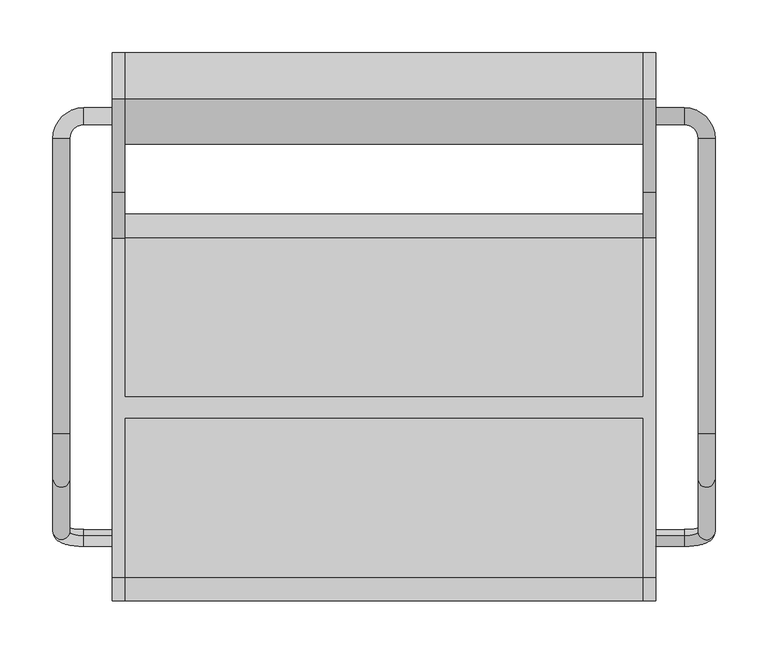
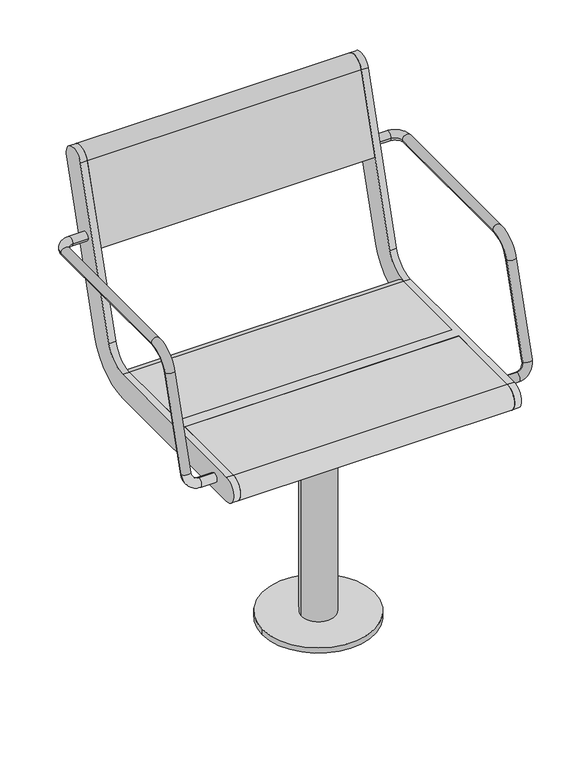
"""IFC4 building model written with IfcOpenShell, lengths in millimetres: furniture geometry."""

from ifc_helpers import new_model, si_unit, point, frame, frame_2d, origin, origin_with_axes, origin_2d, place, context, project, spatial, polyline, circle_curve, ellipse_curve, trimmed, segment, composite_curve, outline, extrude, source, transform, mapped, element, save
from ifc_brep_helpers import plane_surface, cylinder_surface, revolved_surface, advanced_brep


def furniture_ffa925bc(model_context):
    return source(origin(), model_context, "Body", "SolidModel", [
        advanced_brep(
        [(-257.0, -121.6610264, 435.150438), (-257.0, -126.3389736, 419.849562), (-284.0, -126.3389736, 419.849562), (-284.0, -121.6610264, 435.150438), (-313.0, -117.8601942, 447.5823999), (-297.0, -117.8601942, 447.5823999), (-313.0, 254.0, 641.5), (-313.0, -25.2753858, 641.5), (-297.0, -25.2753858, 641.5), (-297.0, 254.0, 641.5), (-297.0, -68.3090998, 609.6567267), (-313.0, -68.3090998, 609.6567267), (-257.0, 267.0, 641.5), (-257.0, 283.0, 641.5), (-284.0, 283.0, 641.5), (-284.0, 267.0, 641.5)],
        [
            (0, 1, circle_curve(frame((-257.0, -124.0, 427.5), z_axis=(1.0, 0.0, 0.0), x_axis=(0.0, -0.2923717047227402, -0.9563047559630344)), 8.0)),
            (1, 0, circle_curve(frame((-257.0, -124.0, 427.5), z_axis=(1.0, 0.0, 0.0), x_axis=(0.0, -0.2923717047227402, -0.9563047559630344)), 8.0)),
            (1, 2),
            (2, 3, circle_curve(frame((-284.0, -124.0, 427.5), z_axis=(1.0, 0.0, 0.0), x_axis=(0.0, -0.2923717047227402, -0.9563047559630344)), 8.0)),
            (3, 0),
            (3, 2, circle_curve(frame((-284.0, -124.0, 427.5), z_axis=(1.0, 0.0, 0.0), x_axis=(0.0, -0.2923717047227402, -0.9563047559630344)), 8.0)),
            (2, 4, circle_curve(frame((-284.0, -117.8601942, 447.5823999), z_axis=(0.0, 0.9563047559630344, -0.29237170472274027), x_axis=(0.0, -0.29237170472274027, -0.9563047559630344)), 29.0)),
            (4, 5, circle_curve(frame((-305.0, -117.8601942, 447.5823999), z_axis=(0.0, -0.29237170472274027, -0.9563047559630344), x_axis=(-1.0, 0.0, 0.0)), 8.0)),
            (5, 3, circle_curve(frame((-284.0, -117.8601942, 447.5823999), z_axis=(0.0, -0.9563047559630344, 0.29237170472274027), x_axis=(0.0, -0.29237170472274027, -0.9563047559630344)), 13.0)),
            (5, 4, circle_curve(frame((-305.0, -117.8601942, 447.5823999), z_axis=(0.0, -0.29237170472274027, -0.9563047559630344), x_axis=(-1.0, 0.0, 0.0)), 8.0)),
            (6, 7),
            (7, 8, circle_curve(frame((-305.0, -25.2753858, 641.5), z_axis=(0.0, 1.0, 0.0), x_axis=(-1.0, 0.0, 0.0)), 8.0)),
            (8, 9),
            (9, 6, circle_curve(frame((-305.0, 254.0, 641.5), z_axis=(0.0, -1.0, 0.0), x_axis=(-1.0, 0.0, 0.0)), 8.0)),
            (6, 9, circle_curve(frame((-305.0, 254.0, 641.5), z_axis=(0.0, -1.0, 0.0), x_axis=(-1.0, 0.0, 0.0)), 8.0)),
            (8, 7, circle_curve(frame((-305.0, -25.2753858, 641.5), z_axis=(0.0, 1.0, 0.0), x_axis=(-1.0, 0.0, 0.0)), 8.0)),
            (10, 11, circle_curve(frame((-305.0, -68.3090998, 609.6567267), z_axis=(0.0, -0.2923717047227378, -0.9563047559630351), x_axis=(-1.0, 0.0, 0.0)), 8.0)),
            (11, 4),
            (5, 10),
            (11, 10, circle_curve(frame((-305.0, -68.3090998, 609.6567267), z_axis=(0.0, -0.2923717047227378, -0.9563047559630351), x_axis=(-1.0, 0.0, 0.0)), 8.0)),
            (7, 11, circle_curve(frame((-313.0, -25.2753858, 596.5), z_axis=(1.0, 0.0, 0.0), x_axis=(0.0, 0.0, 1.0)), 45.0)),
            (10, 8, circle_curve(frame((-297.0, -25.2753858, 596.5), z_axis=(-1.0, 0.0, 0.0), x_axis=(0.0, 0.0, 1.0)), 45.0)),
            (12, 13, circle_curve(frame((-257.0, 275.0, 641.5), z_axis=(1.0, 0.0, 0.0), x_axis=(0.0, 1.0, 0.0)), 8.0)),
            (13, 12, circle_curve(frame((-257.0, 275.0, 641.5), z_axis=(1.0, 0.0, 0.0), x_axis=(0.0, 1.0, 0.0)), 8.0)),
            (13, 14),
            (14, 15, circle_curve(frame((-284.0, 275.0, 641.5), z_axis=(1.0, 0.0, 0.0), x_axis=(0.0, 1.0, 0.0)), 8.0)),
            (15, 12),
            (15, 14, circle_curve(frame((-284.0, 275.0, 641.5), z_axis=(1.0, 0.0, 0.0), x_axis=(0.0, 1.0, 0.0)), 8.0)),
            (14, 6, circle_curve(frame((-284.0, 254.0, 641.5), z_axis=(0.0, 0.0, 1.0), x_axis=(0.0, 1.0, 0.0)), 29.0)),
            (9, 15, circle_curve(frame((-284.0, 254.0, 641.5), z_axis=(0.0, 0.0, -1.0), x_axis=(0.0, 1.0, 0.0)), 13.0)),
        ],
        [
            plane_surface(frame((-257.0, -737.469501, 615.0564486), z_axis=(1.0, 0.0, 0.0), x_axis=(0.0, 0.9563047559630344, -0.29237170472274027))),
            cylinder_surface(frame((-257.0, -124.0, 427.5), z_axis=(1.0, 0.0, 0.0), x_axis=(0.0, -0.2923717047227402, -0.9563047559630344)), 8.0),
            revolved_surface(trimmed(ellipse_curve(frame((-284.0, -124.0, 427.5), z_axis=(1.0, 0.0, 0.0), x_axis=(0.0, -0.2923717047227402, -0.9563047559630344)), 8.0, 8.0), [point((-284.0, -126.3389736, 419.849562))], [point((-284.0, -121.6610264, 435.150438))], True, "CARTESIAN"), (-284.0, -731.3296952, 635.1388485), (0.0, 0.9563047559630344, -0.29237170472274027)),
            revolved_surface(trimmed(ellipse_curve(frame((-284.0, -124.0, 427.5), z_axis=(1.0, 0.0, 0.0), x_axis=(0.0, -0.2923717047227402, -0.9563047559630344)), 8.0, 8.0), [point((-284.0, -121.6610264, 435.150438))], [point((-284.0, -126.3389736, 419.849562))], True, "CARTESIAN"), (-284.0, -731.3296952, 635.1388485), (0.0, 0.9563047559630344, -0.29237170472274027)),
            cylinder_surface(frame((-305.0, 254.0, 641.5), z_axis=(0.0, 1.0, 0.0), x_axis=(-1.0, 0.0, 0.0)), 8.0),
            cylinder_surface(frame((-305.0, -68.3090998, 609.6567267), z_axis=(0.0, 0.2923717047227378, 0.9563047559630351), x_axis=(-1.0, 0.0, 0.0)), 8.0),
            revolved_surface(trimmed(ellipse_curve(frame((-305.0, -25.2753858, 641.5), z_axis=(0.0, 1.0, 0.0), x_axis=(-1.0, 0.0, 0.0)), 8.0, 8.0), [point((-313.0, -25.2753858, 641.5))], [point((-297.0, -25.2753858, 641.5))], True, "CARTESIAN"), (0.0, -25.2753858, 596.5), (1.0, 0.0, 0.0)),
            revolved_surface(trimmed(ellipse_curve(frame((-305.0, -25.2753858, 641.5), z_axis=(0.0, 1.0, 0.0), x_axis=(-1.0, 0.0, 0.0)), 8.0, 8.0), [point((-297.0, -25.2753858, 641.5))], [point((-313.0, -25.2753858, 641.5))], True, "CARTESIAN"), (0.0, -25.2753858, 596.5), (1.0, 0.0, 0.0)),
            plane_surface(frame((-257.0, 275.0, 405.0), z_axis=(1.0, 0.0, 0.0), x_axis=(0.0, 0.0, 1.0))),
            cylinder_surface(frame((-257.0, 275.0, 641.5), z_axis=(1.0, 0.0, 0.0), x_axis=(0.0, 1.0, 0.0)), 8.0),
            revolved_surface(trimmed(ellipse_curve(frame((-284.0, 275.0, 641.5), z_axis=(1.0, 0.0, 0.0), x_axis=(0.0, 1.0, 0.0)), 8.0, 8.0), [point((-284.0, 283.0, 641.5))], [point((-284.0, 267.0, 641.5))], True, "CARTESIAN"), (-284.0, 254.0, 405.0), (0.0, 0.0, 1.0)),
            revolved_surface(trimmed(ellipse_curve(frame((-284.0, 275.0, 641.5), z_axis=(1.0, 0.0, 0.0), x_axis=(0.0, 1.0, 0.0)), 8.0, 8.0), [point((-284.0, 267.0, 641.5))], [point((-284.0, 283.0, 641.5))], True, "CARTESIAN"), (-284.0, 254.0, 405.0), (0.0, 0.0, 1.0)),
        ],
        [
            (0, [[1, 2]]),
            (1, [[-2, 3, 4, 5]]),
            (1, [[-1, -5, 6, -3]]),
            (2, [[-4, 7, 8, 9]]),
            (3, [[-6, -9, 10, -7]]),
            (4, [[11, 12, 13, 14]]),
            (4, [[-11, 15, -13, 16]]),
            (5, [[17, 18, -10, 19]]),
            (5, [[-18, 20, -19, -8]]),
            (6, [[-12, 21, -17, 22]]),
            (7, [[-16, -22, -20, -21]]),
            (8, [[23, 24]]),
            (9, [[-24, 25, 26, 27]]),
            (9, [[-23, -27, 28, -25]]),
            (10, [[-26, 29, -14, 30]]),
            (11, [[-28, -30, -15, -29]]),
        ],
    ),
        advanced_brep(
        [(297.0, 254.0, 641.5), (297.0, -25.2753858, 641.5), (313.0, -25.2753858, 641.5), (313.0, 254.0, 641.5), (313.0, -68.3090998, 609.6567267), (297.0, -68.3090998, 609.6567267), (297.0, -117.8601942, 447.5823999), (313.0, -117.8601942, 447.5823999), (257.0, 267.0, 641.5), (257.0, 283.0, 641.5), (284.0, 267.0, 641.5), (284.0, 283.0, 641.5), (257.0, -121.6610264, 435.150438), (257.0, -126.3389736, 419.849562), (284.0, -121.6610264, 435.150438), (284.0, -126.3389736, 419.849562)],
        [
            (0, 1),
            (1, 2, circle_curve(frame((305.0, -25.2753858, 641.5), z_axis=(0.0, 1.0, 0.0), x_axis=(1.0, 0.0, 0.0)), 8.0)),
            (2, 3),
            (3, 0, circle_curve(frame((305.0, 254.0, 641.5), z_axis=(0.0, -1.0, 0.0), x_axis=(1.0, 0.0, 0.0)), 8.0)),
            (0, 3, circle_curve(frame((305.0, 254.0, 641.5), z_axis=(0.0, -1.0, 0.0), x_axis=(1.0, 0.0, 0.0)), 8.0)),
            (2, 1, circle_curve(frame((305.0, -25.2753858, 641.5), z_axis=(0.0, 1.0, 0.0), x_axis=(1.0, 0.0, 0.0)), 8.0)),
            (4, 5, circle_curve(frame((305.0, -68.3090998, 609.6567267), z_axis=(0.0, -0.2923717047227378, -0.9563047559630351), x_axis=(1.0, 0.0, 0.0)), 8.0)),
            (5, 6),
            (6, 7, circle_curve(frame((305.0, -117.8601942, 447.5823999), z_axis=(0.0, 0.2923717047227378, 0.9563047559630351), x_axis=(1.0, 0.0, 0.0)), 8.0)),
            (7, 4),
            (5, 4, circle_curve(frame((305.0, -68.3090998, 609.6567267), z_axis=(0.0, -0.2923717047227378, -0.9563047559630351), x_axis=(1.0, 0.0, 0.0)), 8.0)),
            (7, 6, circle_curve(frame((305.0, -117.8601942, 447.5823999), z_axis=(0.0, 0.2923717047227378, 0.9563047559630351), x_axis=(1.0, 0.0, 0.0)), 8.0)),
            (1, 5, circle_curve(frame((297.0, -25.2753858, 596.5), z_axis=(1.0, 0.0, 0.0), x_axis=(0.0, 0.0, 1.0)), 45.0)),
            (4, 2, circle_curve(frame((313.0, -25.2753858, 596.5), z_axis=(-1.0, 0.0, 0.0), x_axis=(0.0, 0.0, 1.0)), 45.0)),
            (8, 9, circle_curve(frame((257.0, 275.0, 641.5), z_axis=(-1.0, 0.0, 0.0), x_axis=(0.0, 1.0, 0.0)), 8.0)),
            (9, 8, circle_curve(frame((257.0, 275.0, 641.5), z_axis=(-1.0, 0.0, 0.0), x_axis=(0.0, 1.0, 0.0)), 8.0)),
            (8, 10),
            (10, 11, circle_curve(frame((284.0, 275.0, 641.5), z_axis=(-1.0, 0.0, 0.0), x_axis=(0.0, 1.0, 0.0)), 8.0)),
            (11, 9),
            (11, 10, circle_curve(frame((284.0, 275.0, 641.5), z_axis=(-1.0, 0.0, 0.0), x_axis=(0.0, 1.0, 0.0)), 8.0)),
            (10, 0, circle_curve(frame((284.0, 254.0, 641.5), z_axis=(0.0, 0.0, -1.0), x_axis=(0.0, 1.0, 0.0)), 13.0)),
            (3, 11, circle_curve(frame((284.0, 254.0, 641.5), z_axis=(0.0, 0.0, 1.0), x_axis=(0.0, 1.0, 0.0)), 29.0)),
            (12, 13, circle_curve(frame((257.0, -124.0, 427.5), z_axis=(-1.0, 0.0, 0.0), x_axis=(0.0, -0.2923717047227402, -0.9563047559630344)), 8.0)),
            (13, 12, circle_curve(frame((257.0, -124.0, 427.5), z_axis=(-1.0, 0.0, 0.0), x_axis=(0.0, -0.2923717047227402, -0.9563047559630344)), 8.0)),
            (12, 14),
            (14, 15, circle_curve(frame((284.0, -124.0, 427.5), z_axis=(-1.0, 0.0, 0.0), x_axis=(0.0, -0.2923717047227402, -0.9563047559630344)), 8.0)),
            (15, 13),
            (15, 14, circle_curve(frame((284.0, -124.0, 427.5), z_axis=(-1.0, 0.0, 0.0), x_axis=(0.0, -0.2923717047227402, -0.9563047559630344)), 8.0)),
            (14, 6, circle_curve(frame((284.0, -117.8601942, 447.5823999), z_axis=(0.0, -0.9563047559630344, 0.2923717047227402), x_axis=(0.0, -0.2923717047227402, -0.9563047559630344)), 13.0)),
            (7, 15, circle_curve(frame((284.0, -117.8601942, 447.5823999), z_axis=(0.0, 0.9563047559630344, -0.2923717047227402), x_axis=(0.0, -0.2923717047227402, -0.9563047559630344)), 29.0)),
        ],
        [
            cylinder_surface(frame((305.0, 254.0, 641.5), z_axis=(0.0, 1.0, 0.0), x_axis=(1.0, 0.0, 0.0)), 8.0),
            cylinder_surface(frame((305.0, -68.3090998, 609.6567267), z_axis=(0.0, 0.2923717047227378, 0.9563047559630351), x_axis=(1.0, 0.0, 0.0)), 8.0),
            revolved_surface(trimmed(ellipse_curve(frame((305.0, -25.2753858, 641.5), z_axis=(0.0, 1.0, 0.0), x_axis=(1.0, 0.0, 0.0)), 8.0, 8.0), [point((297.0, -25.2753858, 641.5))], [point((313.0, -25.2753858, 641.5))], True, "CARTESIAN"), (0.0, -25.2753858, 596.5), (1.0, 0.0, 0.0)),
            revolved_surface(trimmed(ellipse_curve(frame((305.0, -25.2753858, 641.5), z_axis=(0.0, 1.0, 0.0), x_axis=(1.0, 0.0, 0.0)), 8.0, 8.0), [point((313.0, -25.2753858, 641.5))], [point((297.0, -25.2753858, 641.5))], True, "CARTESIAN"), (0.0, -25.2753858, 596.5), (1.0, 0.0, 0.0)),
            plane_surface(frame((257.0, 275.0, 405.0), z_axis=(-1.0, 0.0, 0.0), x_axis=(0.0, 0.0, 1.0))),
            cylinder_surface(frame((257.0, 275.0, 641.5), z_axis=(-1.0, 0.0, 0.0), x_axis=(0.0, 1.0, 0.0)), 8.0),
            revolved_surface(trimmed(ellipse_curve(frame((284.0, 275.0, 641.5), z_axis=(-1.0, 0.0, 0.0), x_axis=(0.0, 1.0, 0.0)), 8.0, 8.0), [point((284.0, 267.0, 641.5))], [point((284.0, 283.0, 641.5))], True, "CARTESIAN"), (284.0, 254.0, 405.0), (0.0, 0.0, -1.0)),
            revolved_surface(trimmed(ellipse_curve(frame((284.0, 275.0, 641.5), z_axis=(-1.0, 0.0, 0.0), x_axis=(0.0, 1.0, 0.0)), 8.0, 8.0), [point((284.0, 283.0, 641.5))], [point((284.0, 267.0, 641.5))], True, "CARTESIAN"), (284.0, 254.0, 405.0), (0.0, 0.0, -1.0)),
            plane_surface(frame((257.0, -737.469501, 615.0564486), z_axis=(-1.0, 0.0, 0.0), x_axis=(0.0, 0.9563047559630344, -0.2923717047227402))),
            cylinder_surface(frame((257.0, -124.0, 427.5), z_axis=(-1.0, 0.0, 0.0), x_axis=(0.0, -0.2923717047227402, -0.9563047559630344)), 8.0),
            revolved_surface(trimmed(ellipse_curve(frame((284.0, -124.0, 427.5), z_axis=(-1.0, 0.0, 0.0), x_axis=(0.0, -0.2923717047227402, -0.9563047559630344)), 8.0, 8.0), [point((284.0, -121.6610264, 435.150438))], [point((284.0, -126.3389736, 419.849562))], True, "CARTESIAN"), (284.0, -731.3296952, 635.1388485), (0.0, -0.9563047559630344, 0.2923717047227402)),
            revolved_surface(trimmed(ellipse_curve(frame((284.0, -124.0, 427.5), z_axis=(-1.0, 0.0, 0.0), x_axis=(0.0, -0.2923717047227402, -0.9563047559630344)), 8.0, 8.0), [point((284.0, -126.3389736, 419.849562))], [point((284.0, -121.6610264, 435.150438))], True, "CARTESIAN"), (284.0, -731.3296952, 635.1388485), (0.0, -0.9563047559630344, 0.2923717047227402)),
        ],
        [
            (0, [[1, 2, 3, 4]]),
            (0, [[-1, 5, -3, 6]]),
            (1, [[7, 8, 9, 10]]),
            (1, [[-8, 11, -10, 12]]),
            (2, [[-2, 13, -7, 14]]),
            (3, [[-6, -14, -11, -13]]),
            (4, [[15, 16]]),
            (5, [[-15, 17, 18, 19]]),
            (5, [[-16, -19, 20, -17]]),
            (6, [[-18, 21, -4, 22]]),
            (7, [[-20, -22, -5, -21]]),
            (8, [[23, 24]]),
            (9, [[-23, 25, 26, 27]]),
            (9, [[-24, -27, 28, -25]]),
            (10, [[-26, 29, -12, 30]]),
            (11, [[-28, -30, -9, -29]]),
        ],
    ),
        advanced_brep(
        [(-245.0, 291.0375971, 769.6910048), (-245.0, 203.033714, 481.8432733), (-245.0, 160.0, 450.0), (-245.0, 9.5, 450.0), (-245.0, 9.5, 405.0), (-245.0, 160.0, 405.0), (-245.0, 246.067428, 468.6865466), (-245.0, 334.0713112, 756.5342781), (-245.0, -161.0, 450.0), (-245.0, -161.0, 405.0), (-245.0, -10.5, 405.0), (-245.0, -10.5, 450.0), (-257.0, 291.0375971, 769.6910048), (-257.0, 334.0713112, 756.5342781), (-257.0, 246.067428, 468.6865466), (-257.0, 160.0, 405.0), (-257.0, -161.0, 405.0), (-257.0, -161.0, 450.0), (-257.0, 160.0, 450.0), (-257.0, 203.033714, 481.8432733), (245.0, -10.5, 450.0), (245.0, -161.0, 450.0), (257.0, -161.0, 450.0), (257.0, 160.0, 450.0), (245.0, 160.0, 450.0), (245.0, 9.5, 450.0), (245.0, 9.5, 405.0), (245.0, 160.0, 405.0), (257.0, 160.0, 405.0), (257.0, -161.0, 405.0), (245.0, -161.0, 405.0), (245.0, -10.5, 405.0), (257.0, 291.0375971, 769.6910048), (257.0, 203.033714, 481.8432733), (257.0, 246.067428, 468.6865466), (257.0, 334.0713112, 756.5342781), (245.0, 291.0375971, 769.6910048), (245.0, 334.0713112, 756.5342781), (245.0, 246.067428, 468.6865466), (245.0, 203.033714, 481.8432733)],
        [
            (0, 1),
            (1, 2, circle_curve(frame((-245.0, 160.0, 495.0), z_axis=(-1.0, 0.0, 0.0), x_axis=(0.0, -1.0, 0.0)), 45.0)),
            (2, 3),
            (3, 4),
            (4, 5),
            (5, 6, circle_curve(frame((-245.0, 160.0, 495.0), z_axis=(1.0, 0.0, 0.0), x_axis=(0.0, -1.0, 0.0)), 90.0)),
            (6, 7),
            (7, 0, circle_curve(frame((-245.0, 312.5544541, 763.1126415), z_axis=(1.0, 0.0, 0.0), x_axis=(0.0, -1.0, 0.0)), 22.5)),
            (8, 9, circle_curve(frame((-245.0, -161.0, 427.5), z_axis=(1.0, 0.0, 0.0), x_axis=(0.0, -1.0, 0.0)), 22.5)),
            (9, 10),
            (10, 11),
            (11, 8),
            (12, 13, circle_curve(frame((-257.0, 312.5544541, 763.1126415), z_axis=(-1.0, 0.0, 0.0), x_axis=(0.0, -1.0, 0.0)), 22.5)),
            (13, 14),
            (14, 15, circle_curve(frame((-257.0, 160.0, 495.0), z_axis=(-1.0, 0.0, 0.0), x_axis=(0.0, -1.0, 0.0)), 90.0)),
            (15, 16),
            (16, 17, circle_curve(frame((-257.0, -161.0, 427.5), z_axis=(-1.0, 0.0, 0.0), x_axis=(0.0, -1.0, 0.0)), 22.5)),
            (17, 18),
            (18, 19, circle_curve(frame((-257.0, 160.0, 495.0), z_axis=(1.0, 0.0, 0.0), x_axis=(0.0, -1.0, 0.0)), 45.0)),
            (19, 12),
            (0, 12),
            (19, 1),
            (18, 2),
            (17, 8),
            (11, 20),
            (20, 21),
            (21, 22),
            (22, 23),
            (23, 24),
            (24, 25),
            (25, 3),
            (15, 5),
            (4, 26),
            (26, 27),
            (27, 28),
            (28, 29),
            (29, 30),
            (30, 31),
            (31, 10),
            (9, 16),
            (14, 6),
            (13, 7),
            (31, 20),
            (25, 26),
            (32, 33),
            (33, 23, circle_curve(frame((257.0, 160.0, 495.0), z_axis=(-1.0, 0.0, 0.0), x_axis=(0.0, -1.0, 0.0)), 45.0)),
            (22, 29, circle_curve(frame((257.0, -161.0, 427.5), z_axis=(1.0, 0.0, 0.0), x_axis=(0.0, -1.0, 0.0)), 22.5)),
            (28, 34, circle_curve(frame((257.0, 160.0, 495.0), z_axis=(1.0, 0.0, 0.0), x_axis=(0.0, -1.0, 0.0)), 90.0)),
            (34, 35),
            (35, 32, circle_curve(frame((257.0, 312.5544541, 763.1126415), z_axis=(1.0, 0.0, 0.0), x_axis=(0.0, -1.0, 0.0)), 22.5)),
            (36, 37, circle_curve(frame((245.0, 312.5544541, 763.1126415), z_axis=(-1.0, 0.0, 0.0), x_axis=(0.0, -1.0, 0.0)), 22.5)),
            (37, 38),
            (38, 27, circle_curve(frame((245.0, 160.0, 495.0), z_axis=(-1.0, 0.0, 0.0), x_axis=(0.0, -1.0, 0.0)), 90.0)),
            (24, 39, circle_curve(frame((245.0, 160.0, 495.0), z_axis=(1.0, 0.0, 0.0), x_axis=(0.0, -1.0, 0.0)), 45.0)),
            (39, 36),
            (30, 21, circle_curve(frame((245.0, -161.0, 427.5), z_axis=(-1.0, 0.0, 0.0), x_axis=(0.0, -1.0, 0.0)), 22.5)),
            (32, 36),
            (39, 33),
            (38, 34),
            (37, 35),
        ],
        [
            plane_surface(frame((-245.0, 203.033714, 481.8432733), z_axis=(1.0000000000000002, 0.0, 0.0), x_axis=(0.0, -0.29237170472273394, -0.9563047559630364))),
            plane_surface(frame((-257.0, 203.033714, 481.8432733), z_axis=(-1.0000000000000002, 0.0, 0.0), x_axis=(0.0, 0.29237170472273394, 0.9563047559630364))),
            plane_surface(frame((-245.0, 291.0375971, 769.6910048), z_axis=(0.0, -0.9563047559630364, 0.29237170472273394), x_axis=(-1.0, 0.0, 0.0))),
            revolved_surface(polyline([(-257.0, 115.0, 495.0), (-245.0, 115.0, 495.0)]), (-257.0, 160.0, 495.0), (-1.0, 0.0, 0.0)),
            plane_surface(frame((-245.0, 160.0, 450.0), z_axis=(0.0, 0.0, 1.0), x_axis=(-1.0, 0.0, 0.0))),
            plane_surface(frame((-245.0, -161.0, 405.0), z_axis=(0.0, 0.0, -1.0), x_axis=(-1.0, 0.0, 0.0))),
            cylinder_surface(frame((-257.0, 160.0, 495.0), z_axis=(1.0, 0.0, 0.0), x_axis=(0.0, -1.0, 0.0)), 90.0),
            plane_surface(frame((-245.0, 246.067428, 468.6865466), z_axis=(0.0, 0.9563047559630364, -0.29237170472273366), x_axis=(-1.0, 0.0, 0.0))),
            cylinder_surface(frame((-257.0, 312.5544541, 763.1126415), z_axis=(1.0, 0.0, 0.0), x_axis=(0.0, -1.0, 0.0)), 22.5),
            cylinder_surface(frame((-257.0, -161.0, 427.5), z_axis=(1.0, 0.0, 0.0), x_axis=(0.0, -1.0, 0.0)), 22.5),
            plane_surface(frame((245.0, -10.5, 450.0), z_axis=(0.0, -1.0, 0.0), x_axis=(-1.0, 0.0, 0.0))),
            plane_surface(frame((245.0, 9.5, 405.0), z_axis=(0.0, 1.0, 0.0), x_axis=(-1.0, 0.0, 0.0))),
            plane_surface(frame((257.0, 203.033714, 481.8432733), z_axis=(1.0000000000000002, 0.0, 0.0), x_axis=(0.0, -0.29237170472273394, -0.9563047559630364))),
            plane_surface(frame((245.0, 203.033714, 481.8432733), z_axis=(-1.0000000000000002, 0.0, 0.0), x_axis=(0.0, 0.29237170472273394, 0.9563047559630364))),
            plane_surface(frame((257.0, 291.0375971, 769.6910048), z_axis=(0.0, -0.9563047559630364, 0.29237170472273394), x_axis=(-1.0, 0.0, 0.0))),
            revolved_surface(polyline([(245.0, 115.0, 495.0), (257.0, 115.0, 495.0)]), (245.0, 160.0, 495.0), (-1.0, 0.0, 0.0)),
            cylinder_surface(frame((245.0, 160.0, 495.0), z_axis=(1.0, 0.0, 0.0), x_axis=(0.0, -1.0, 0.0)), 90.0),
            plane_surface(frame((257.0, 246.067428, 468.6865466), z_axis=(0.0, 0.9563047559630364, -0.29237170472273366), x_axis=(-1.0, 0.0, 0.0))),
            cylinder_surface(frame((245.0, 312.5544541, 763.1126415), z_axis=(1.0, 0.0, 0.0), x_axis=(0.0, -1.0, 0.0)), 22.5),
            cylinder_surface(frame((245.0, -161.0, 427.5), z_axis=(1.0, 0.0, 0.0), x_axis=(0.0, -1.0, 0.0)), 22.5),
        ],
        [
            (0, [[1, 2, 3, 4, 5, 6, 7, 8]]),
            (0, [[9, 10, 11, 12]]),
            (1, [[13, 14, 15, 16, 17, 18, 19, 20]]),
            (2, [[-1, 21, -20, 22]]),
            (3, [[-2, -22, -19, 23]]),
            (4, [[-18, 24, -12, 25, 26, 27, 28, 29, 30, 31, -3, -23]]),
            (5, [[-16, 32, -5, 33, 34, 35, 36, 37, 38, 39, -10, 40]]),
            (6, [[-6, -32, -15, 41]]),
            (7, [[-7, -41, -14, 42]]),
            (8, [[-8, -42, -13, -21]]),
            (9, [[-9, -24, -17, -40]]),
            (10, [[-25, -11, -39, 43]]),
            (11, [[-31, 44, -33, -4]]),
            (12, [[45, 46, -28, 47, -36, 48, 49, 50]]),
            (13, [[51, 52, 53, -34, -44, -30, 54, 55]]),
            (13, [[56, -26, -43, -38]]),
            (14, [[-45, 57, -55, 58]]),
            (15, [[-46, -58, -54, -29]]),
            (16, [[-48, -35, -53, 59]]),
            (17, [[-49, -59, -52, 60]]),
            (18, [[-50, -60, -51, -57]]),
            (19, [[-47, -27, -56, -37]]),
        ],
    ),
        extrude(outline(composite_curve([segment(trimmed(circle_curve(frame_2d((312.5544541, 763.1126415)), 22.5), [point((291.0375971, 769.6910048))], [point((334.0713112, 756.5342781))], False, "CARTESIAN"), True, "CONTINUOUS"), segment(polyline([(334.0713112, 756.5342781), (291.5312281, 617.3919361), (248.4975141, 630.5486628), (291.0375971, 769.6910048)]), True, "CONTINUOUS")], self_intersect=False)), frame((-245.0, 0.0, 0.0), z_axis=(1.0, 0.0, 0.0), x_axis=(0.0, 1.0, 0.0)), (0.0, 0.0, 1.0), 490.0),
        extrude(outline(composite_curve([segment(polyline([(9.5, 405.0), (9.5, 450.0), (160.0, 450.0)]), True, "CONTINUOUS"), segment(trimmed(circle_curve(frame_2d((160.0, 427.5)), 22.5), [point((160.0, 450.0))], [point((160.0, 405.0))], False, "CARTESIAN"), True, "CONTINUOUS"), segment(polyline([(160.0, 405.0), (9.5, 405.0)]), True, "CONTINUOUS")], self_intersect=False)), frame((-245.0, 0.0, 0.0), z_axis=(1.0, 0.0, 0.0), x_axis=(0.0, 1.0, 0.0)), (0.0, 0.0, 1.0), 490.0),
        extrude(outline(composite_curve([segment(polyline([(-10.5, 405.0), (-161.0, 405.0)]), True, "CONTINUOUS"), segment(trimmed(circle_curve(frame_2d((-161.0, 427.5)), 22.5), [point((-161.0, 405.0))], [point((-161.0, 450.0))], False, "CARTESIAN"), True, "CONTINUOUS"), segment(polyline([(-161.0, 450.0), (-10.5, 450.0), (-10.5, 405.0)]), True, "CONTINUOUS")], self_intersect=False)), frame((-245.0, 0.0, 0.0), z_axis=(1.0, 0.0, 0.0), x_axis=(0.0, 1.0, 0.0)), (0.0, 0.0, 1.0), 490.0),
        extrude(outline(composite_curve([segment(trimmed(circle_curve(origin_2d(), 100.0), [point((-100.0, 0.0))], [point((100.0, 0.0))], False, "CARTESIAN"), True, "CONTINUOUS"), segment(trimmed(circle_curve(origin_2d(), 100.0), [point((100.0, 0.0))], [point((-100.0, 0.0))], False, "CARTESIAN"), True, "CONTINUOUS")], self_intersect=False)), origin_with_axes(), (0.0, 0.0, 1.0), 10.0),
        extrude(outline(composite_curve([segment(trimmed(circle_curve(origin_2d(), 30.0), [point((-30.0, 0.0))], [point((30.0, 0.0))], False, "CARTESIAN"), True, "CONTINUOUS"), segment(trimmed(circle_curve(origin_2d(), 30.0), [point((30.0, 0.0))], [point((-30.0, 0.0))], False, "CARTESIAN"), True, "CONTINUOUS")], self_intersect=False)), frame((0.0, 0.0, 10.0), z_axis=(0.0, 0.0, 1.0), x_axis=(1.0, 0.0, 0.0)), (0.0, 0.0, 1.0), 379.0),
        extrude(outline(polyline([(75.0, 125.0), (75.0, -125.0), (-75.0, -125.0), (-75.0, 125.0), (75.0, 125.0)])), frame((0.0, 0.0, 389.0), z_axis=(0.0, 0.0, 1.0), x_axis=(1.0, 0.0, 0.0)), (0.0, 0.0, 1.0), 16.0),
    ])


if __name__ == "__main__":
    model = new_model("IFC4")
    model_context = context("Model", 3, world=origin())
    ifc_project = project(units=[si_unit("LENGTHUNIT", "METRE", prefix="MILLI")], contexts=[model_context])
    site = spatial("IfcSite", under=ifc_project)
    building = spatial("IfcBuilding", under=site)
    placement = place(None, origin())
    furniture_shape = furniture_ffa925bc(model_context)
    element("IfcFurniture", 1, at=placement, inside=building, context=model_context, shape_type="MappedRepresentation", body=[
        mapped(furniture_shape, transform((0.0, 0.0, 0.0), x_axis=(1.0, 0.0, 0.0), y_axis=(0.0, 1.0, 0.0), z_axis=(0.0, 0.0, 1.0))),
    ])
    save(model, "model.ifc")
